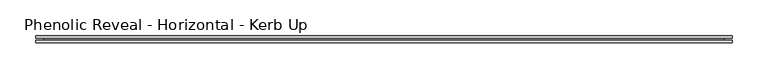
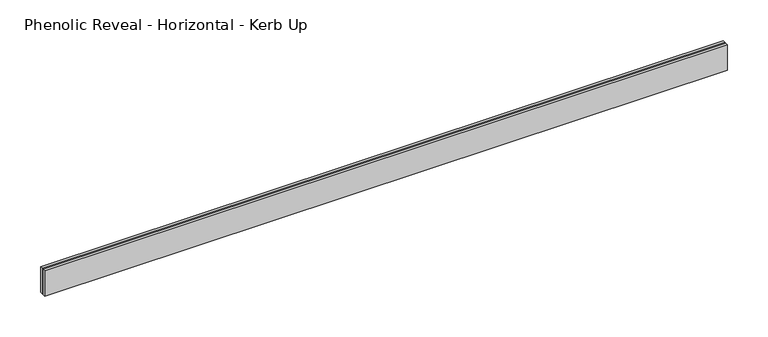
"""IFC4 building model written with IfcOpenShell, lengths in millimetres: proxy geometry, Phenolic Reveal - Horizontal - Kerb Up."""

from ifc_helpers import new_model, si_unit, origin, place, context, project, spatial, faceted_brep, source, transform, mapped, element, save


def phenolic_reveal_horizontal_kerb_up_2fb1ac42(model_context):
    return source(origin(), model_context, "Body", "Brep", [
        faceted_brep([(967.7796875, 9.525, 0.0), (967.7796875, 9.525, 38.1), (967.7796875, 6.0765851, 38.1), (967.7796875, 6.0765851, 0.0), (967.7796875, 3.3757545, 0.0), (967.7796875, 3.3757545, 38.1), (967.7796875, 0.0, 38.1), (967.7796875, 0.0, 0.0), (0.0, 0.0, 0.0), (0.0, 0.0, 38.1), (0.0, 3.3757545, 38.1), (0.0, 3.3757545, 0.0), (0.0, 6.0765851, 0.0), (0.0, 6.0765851, 38.1), (0.0, 9.525, 38.1), (0.0, 9.525, 0.0), (956.6671875, 6.0765851, 0.0), (956.6671875, 3.3757545, 0.0), (11.1125, 3.3757545, 0.0), (11.1125, 6.0765851, 0.0), (956.6671875, 6.0765851, 26.9875), (956.6671875, 3.3757545, 26.9875), (11.1125, 6.0765851, 26.9875), (11.1125, 3.3757545, 26.9875)], [[[0, 1, 2, 3]], [[4, 5, 6, 7]], [[8, 9, 10, 11]], [[12, 13, 14, 15]], [[1, 0, 15, 14]], [[6, 5, 10, 9]], [[7, 6, 9, 8]], [[15, 0, 3, 16, 17, 4, 7, 8, 11, 18, 19, 12]], [[16, 20, 21, 17]], [[22, 19, 18, 23]], [[13, 2, 1, 14]], [[12, 19, 22, 20, 16, 3, 2, 13]], [[20, 22, 23, 21]], [[4, 17, 21, 23, 18, 11, 10, 5]]]),
    ])


if __name__ == "__main__":
    model = new_model("IFC4")
    model_context = context("Model", 3, world=origin())
    ifc_project = project(units=[si_unit("LENGTHUNIT", "METRE", prefix="MILLI")], contexts=[model_context])
    site = spatial("IfcSite", under=ifc_project)
    building = spatial("IfcBuilding", under=site)
    placement = place(None, origin())
    phenolic_reveal_horizontal_kerb_up_shape = phenolic_reveal_horizontal_kerb_up_2fb1ac42(model_context)
    element("IfcBuildingElementProxy", 1, Name="Phenolic Reveal - Horizontal - Kerb Up", ObjectType="Phenolic Reveal - Horizontal - Kerb Up", at=placement, inside=building, context=model_context, shape_type="MappedRepresentation", body=[
        mapped(phenolic_reveal_horizontal_kerb_up_shape, transform((0.0, 0.0, 0.0), x_axis=(1.0, 0.0, 0.0), y_axis=(0.0, 1.0, 0.0), z_axis=(0.0, 0.0, 1.0))),
    ])
    save(model, "model.ifc")
